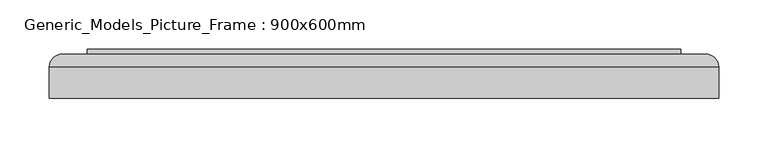
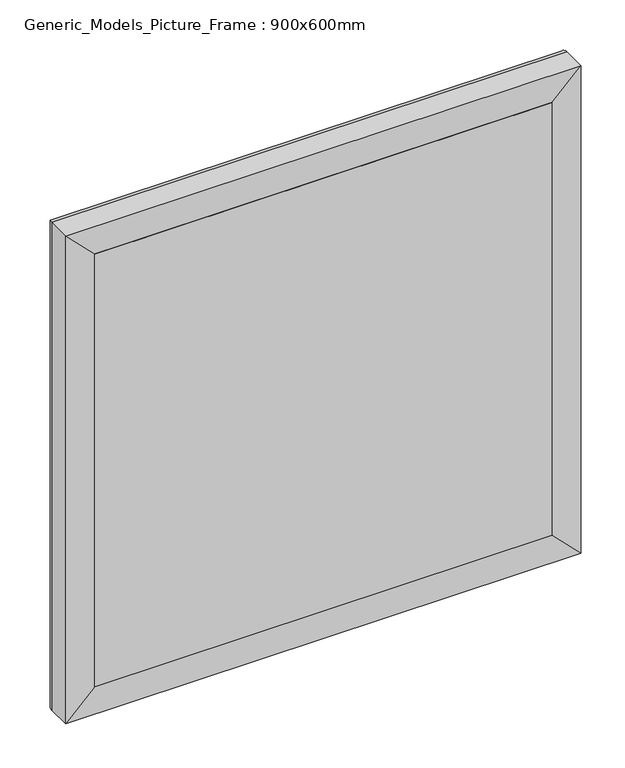
"""IFC4 building model written with IfcOpenShell, lengths in millimetres: proxy geometry, Generic_Models_Picture_Frame : 900x600mm."""

from ifc_helpers import new_model, si_unit, frame, origin, place, context, project, spatial, polyline, ellipse_curve, outline, extrude, source, transform, mapped, element, save
from ifc_brep_helpers import plane_surface, cylinder_surface, advanced_brep


def generic_models_picture_frame_900x600mm_fdacb55f(model_context):
    return source(origin(), model_context, "Body", "SolidModel", [
        extrude(outline(polyline([(-300.0, 101.6), (300.0, 101.6), (300.0, 52.5), (-300.0, 52.5), (-300.0, 101.6)])), frame((0.0, 0.0, 1200.0), z_axis=(0.0, 0.0, 1.0), x_axis=(1.0, 0.0, 0.0)), (0.0, 0.0, 1.0), 600.0),
        advanced_brep(
        [(-300.0, 52.5, 1800.0), (-338.1, 52.5, 1838.1), (-338.1, 52.5, 1161.9), (-300.0, 52.5, 1200.0), (-300.0, 77.9, 1800.0), (-300.0, 77.9, 1200.0), (-280.95, 77.9, 1780.95), (-280.95, 77.9, 1219.05), (-280.95, 84.25, 1780.95), (-280.95, 84.25, 1219.05), (-293.65, 96.95, 1793.65), (-293.65, 96.95, 1206.35), (-325.4, 96.95, 1825.4), (-325.4, 96.95, 1174.6), (-338.1, 84.25, 1838.1), (-338.1, 84.25, 1161.9), (338.1, 52.5, 1161.9), (300.0, 52.5, 1200.0), (300.0, 77.9, 1200.0), (280.95, 77.9, 1219.05), (280.95, 84.25, 1219.05), (293.65, 96.95, 1206.35), (325.4, 96.95, 1174.6), (338.1, 84.25, 1161.9), (338.1, 52.5, 1838.1), (300.0, 52.5, 1800.0), (300.0, 77.9, 1800.0), (280.95, 77.9, 1780.95), (280.95, 84.25, 1780.95), (293.65, 96.95, 1793.65), (325.4, 96.95, 1825.4), (338.1, 84.25, 1838.1)],
        [
            (0, 1),
            (1, 2),
            (2, 3),
            (3, 0),
            (4, 0),
            (3, 5),
            (5, 4),
            (6, 4),
            (5, 7),
            (7, 6),
            (8, 6),
            (7, 9),
            (9, 8),
            (10, 8, ellipse_curve(frame((-293.65, 84.25, 1793.65), z_axis=(-0.7071067811865475, 0.0, -0.7071067811865475), x_axis=(-0.7071067811865474, 0.0, 0.7071067811865476)), 17.9605122, 12.7)),
            (9, 11, ellipse_curve(frame((-293.65, 84.25, 1206.35), z_axis=(-0.7071067811865475, 0.0, 0.7071067811865475), x_axis=(0.7071067811865474, 0.0, 0.7071067811865476)), 17.9605122, 12.7)),
            (11, 10),
            (12, 10),
            (11, 13),
            (13, 12),
            (14, 12, ellipse_curve(frame((-325.4, 84.25, 1825.4), z_axis=(-0.7071067811865475, 0.0, -0.7071067811865475), x_axis=(-0.7071067811865474, 0.0, 0.7071067811865476)), 17.9605122, 12.7)),
            (13, 15, ellipse_curve(frame((-325.4, 84.25, 1174.6), z_axis=(-0.7071067811865475, 0.0, 0.7071067811865475), x_axis=(0.7071067811865474, 0.0, 0.7071067811865476)), 17.9605122, 12.7)),
            (15, 14),
            (1, 14),
            (15, 2),
            (2, 16),
            (16, 17),
            (17, 3),
            (17, 18),
            (18, 5),
            (18, 19),
            (19, 7),
            (19, 20),
            (20, 9),
            (20, 21, ellipse_curve(frame((293.65, 84.25, 1206.35), z_axis=(-0.7071067811865475, 0.0, -0.7071067811865475), x_axis=(-0.7071067811865476, 0.0, 0.7071067811865474)), 17.9605122, 12.7)),
            (21, 11),
            (21, 22),
            (22, 13),
            (22, 23, ellipse_curve(frame((325.4, 84.25, 1174.6), z_axis=(-0.7071067811865475, 0.0, -0.7071067811865475), x_axis=(-0.7071067811865476, 0.0, 0.7071067811865474)), 17.9605122, 12.7)),
            (23, 15),
            (23, 16),
            (16, 24),
            (24, 25),
            (25, 17),
            (25, 26),
            (26, 18),
            (26, 27),
            (27, 19),
            (27, 28),
            (28, 20),
            (28, 29, ellipse_curve(frame((293.65, 84.25, 1793.65), z_axis=(0.7071067811865475, 0.0, -0.7071067811865475), x_axis=(-0.7071067811865474, 0.0, -0.7071067811865476)), 17.9605122, 12.7)),
            (29, 21),
            (29, 30),
            (30, 22),
            (30, 31, ellipse_curve(frame((325.4, 84.25, 1825.4), z_axis=(0.7071067811865475, 0.0, -0.7071067811865475), x_axis=(-0.7071067811865474, 0.0, -0.7071067811865476)), 17.9605122, 12.7)),
            (31, 23),
            (31, 24),
            (24, 1),
            (0, 25),
            (4, 26),
            (6, 27),
            (8, 28),
            (10, 29),
            (12, 30),
            (14, 31),
        ],
        [
            plane_surface(frame((-338.1, 52.5, 1838.1), z_axis=(0.0, -1.0, 0.0), x_axis=(0.0, 0.0, -1.0))),
            plane_surface(frame((-300.0, 52.5, 1800.0), z_axis=(1.0, 0.0, 0.0), x_axis=(0.0, 0.0, -1.0))),
            plane_surface(frame((-300.0, 77.9, 1800.0), z_axis=(0.0, -1.0, 0.0), x_axis=(0.0, 0.0, -1.0))),
            plane_surface(frame((-280.95, 77.9, 1780.95), z_axis=(1.0, 0.0, 0.0), x_axis=(0.0, 0.0, -1.0))),
            cylinder_surface(frame((-293.65, 84.25, 1800.0), z_axis=(0.0, 0.0, 1.0), x_axis=(-1.0, 0.0, 0.0)), 12.7),
            plane_surface(frame((-293.65, 96.95, 1793.65), z_axis=(0.0, 1.0, 0.0), x_axis=(0.0, 0.0, -1.0))),
            cylinder_surface(frame((-325.4, 84.25, 1800.0), z_axis=(0.0, 0.0, 1.0), x_axis=(-1.0, 0.0, 0.0)), 12.7),
            plane_surface(frame((-338.1, 84.25, 1838.1), z_axis=(-1.0, 0.0, 0.0), x_axis=(0.0, 0.0, -1.0))),
            plane_surface(frame((-338.1, 52.5, 1161.9), z_axis=(0.0, -1.0, 0.0), x_axis=(1.0, 0.0, 0.0))),
            plane_surface(frame((-300.0, 52.5, 1200.0), z_axis=(0.0, 0.0, 1.0), x_axis=(1.0, 0.0, 0.0))),
            plane_surface(frame((-300.0, 77.9, 1200.0), z_axis=(0.0, -1.0, 0.0), x_axis=(1.0, 0.0, 0.0))),
            plane_surface(frame((-280.95, 77.9, 1219.05), z_axis=(0.0, 0.0, 1.0), x_axis=(1.0, 0.0, 0.0))),
            cylinder_surface(frame((-300.0, 84.25, 1206.35), z_axis=(-1.0, 0.0, 0.0), x_axis=(0.0, 0.0, -1.0)), 12.7),
            plane_surface(frame((-293.65, 96.95, 1206.35), z_axis=(0.0, 1.0, 0.0), x_axis=(1.0, 0.0, 0.0))),
            cylinder_surface(frame((-300.0, 84.25, 1174.6), z_axis=(-1.0, 0.0, 0.0), x_axis=(0.0, 0.0, -1.0)), 12.7),
            plane_surface(frame((-338.1, 84.25, 1161.9), z_axis=(0.0, 0.0, -1.0), x_axis=(1.0, 0.0, 0.0))),
            plane_surface(frame((338.1, 52.5, 1161.9), z_axis=(0.0, -1.0, 0.0), x_axis=(0.0, 0.0, 1.0))),
            plane_surface(frame((300.0, 52.5, 1200.0), z_axis=(-1.0, 0.0, 0.0), x_axis=(0.0, 0.0, 1.0))),
            plane_surface(frame((300.0, 77.9, 1200.0), z_axis=(0.0, -1.0, 0.0), x_axis=(0.0, 0.0, 1.0))),
            plane_surface(frame((280.95, 77.9, 1219.05), z_axis=(-1.0, 0.0, 0.0), x_axis=(0.0, 0.0, 1.0))),
            cylinder_surface(frame((293.65, 84.25, 1200.0), z_axis=(0.0, 0.0, -1.0), x_axis=(1.0, 0.0, 0.0)), 12.7),
            plane_surface(frame((293.65, 96.95, 1206.35), z_axis=(0.0, 1.0, 0.0), x_axis=(0.0, 0.0, 1.0))),
            cylinder_surface(frame((325.4, 84.25, 1200.0), z_axis=(0.0, 0.0, -1.0), x_axis=(1.0, 0.0, 0.0)), 12.7),
            plane_surface(frame((338.1, 84.25, 1161.9), z_axis=(1.0, 0.0, 0.0), x_axis=(0.0, 0.0, 1.0))),
            plane_surface(frame((338.1, 52.5, 1838.1), z_axis=(0.0, -1.0, 0.0), x_axis=(-1.0, 0.0, 0.0))),
            plane_surface(frame((300.0, 52.5, 1800.0), z_axis=(0.0, 0.0, -1.0), x_axis=(-1.0, 0.0, 0.0))),
            plane_surface(frame((300.0, 77.9, 1800.0), z_axis=(0.0, -1.0, 0.0), x_axis=(-1.0, 0.0, 0.0))),
            plane_surface(frame((280.95, 77.9, 1780.95), z_axis=(0.0, 0.0, -1.0), x_axis=(-1.0, 0.0, 0.0))),
            cylinder_surface(frame((300.0, 84.25, 1793.65), z_axis=(1.0, 0.0, 0.0), x_axis=(0.0, 0.0, 1.0)), 12.7),
            plane_surface(frame((293.65, 96.95, 1793.65), z_axis=(0.0, 1.0, 0.0), x_axis=(-1.0, 0.0, 0.0))),
            cylinder_surface(frame((300.0, 84.25, 1825.4), z_axis=(1.0, 0.0, 0.0), x_axis=(0.0, 0.0, 1.0)), 12.7),
            plane_surface(frame((338.1, 84.25, 1838.1), z_axis=(0.0, 0.0, 1.0), x_axis=(-1.0, 0.0, 0.0))),
        ],
        [
            (0, [[1, 2, 3, 4]]),
            (1, [[5, -4, 6, 7]]),
            (2, [[8, -7, 9, 10]]),
            (3, [[11, -10, 12, 13]]),
            (4, [[14, -13, 15, 16]]),
            (5, [[17, -16, 18, 19]]),
            (6, [[20, -19, 21, 22]]),
            (7, [[23, -22, 24, -2]]),
            (8, [[-3, 25, 26, 27]]),
            (9, [[-6, -27, 28, 29]]),
            (10, [[-9, -29, 30, 31]]),
            (11, [[-12, -31, 32, 33]]),
            (12, [[-15, -33, 34, 35]]),
            (13, [[-18, -35, 36, 37]]),
            (14, [[-21, -37, 38, 39]]),
            (15, [[-24, -39, 40, -25]]),
            (16, [[-26, 41, 42, 43]]),
            (17, [[-28, -43, 44, 45]]),
            (18, [[-30, -45, 46, 47]]),
            (19, [[-32, -47, 48, 49]]),
            (20, [[-34, -49, 50, 51]]),
            (21, [[-36, -51, 52, 53]]),
            (22, [[-38, -53, 54, 55]]),
            (23, [[-40, -55, 56, -41]]),
            (24, [[-42, 57, -1, 58]]),
            (25, [[-44, -58, -5, 59]]),
            (26, [[-46, -59, -8, 60]]),
            (27, [[-48, -60, -11, 61]]),
            (28, [[-50, -61, -14, 62]]),
            (29, [[-52, -62, -17, 63]]),
            (30, [[-54, -63, -20, 64]]),
            (31, [[-56, -64, -23, -57]]),
        ],
    ),
    ])


if __name__ == "__main__":
    model = new_model("IFC4")
    model_context = context("Model", 3, world=origin())
    ifc_project = project(units=[si_unit("LENGTHUNIT", "METRE", prefix="MILLI")], contexts=[model_context])
    site = spatial("IfcSite", under=ifc_project)
    building = spatial("IfcBuilding", under=site)
    placement = place(None, origin())
    generic_models_picture_frame_900x600mm_shape = generic_models_picture_frame_900x600mm_fdacb55f(model_context)
    element("IfcBuildingElementProxy", 1, Name="Generic_Models_Picture_Frame : 900x600mm", ObjectType="Generic_Models_Picture_Frame : 900x600mm", at=placement, inside=building, context=model_context, shape_type="MappedRepresentation", body=[
        mapped(generic_models_picture_frame_900x600mm_shape, transform((0.0, 0.0, 0.0), x_axis=(1.0, 0.0, 0.0), y_axis=(0.0, 1.0, 0.0), z_axis=(0.0, 0.0, 1.0))),
    ])
    save(model, "model.ifc")
